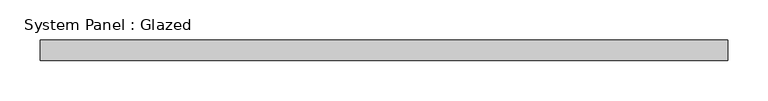
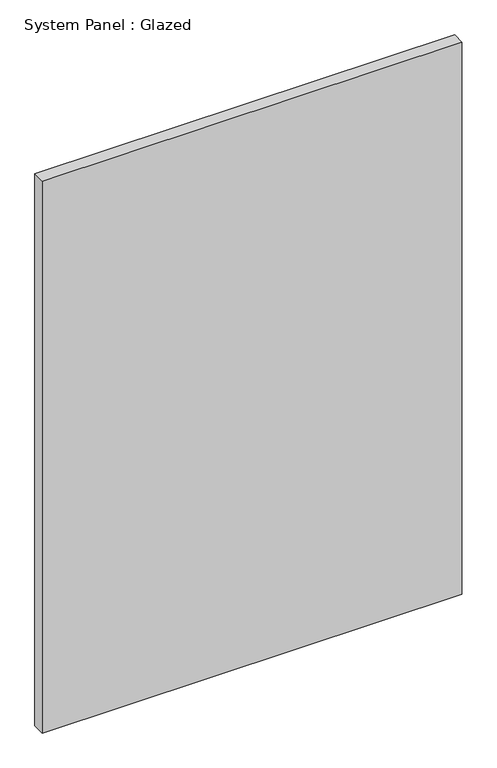
"""IFC4 building model written with IfcOpenShell, lengths in millimetres: plate geometry, System Panel : Glazed."""

import ifcopenshell
import ifcopenshell.guid

model = None  # the IFC model being written
_history = None  # IfcOwnerHistory: only IFC2X3 demands one
_inside = {}  # id of a spatial element -> (the spatial element, [elements in it])
_under = {}  # id of a project, library or spatial element -> (it, [spatial elements below it])
_declared = {}  # id of a project -> (the project, [libraries it declares])
_typed = {}  # id of a type object -> (the type object, [elements of that type])
_made_of = {}  # id of a material, layer set ... -> (it, [elements and type objects made of it])


def new_model(schema):
    """Start an empty IFC model of exactly this schema.

    Asked for "IFC4X3", IfcOpenShell would pick the latest addendum, in which some entities
    have other attributes; the version numbers below select the first issue.
    IFC2X3 requires an IfcOwnerHistory on every rooted entity: one is made here for all.
    """
    global model, _history
    if schema == "IFC4X3":
        model = ifcopenshell.file(schema_version=(4, 3, 0, 0))
    else:
        model = ifcopenshell.file(schema=schema)
    _inside.clear()
    _under.clear()
    _declared.clear()
    _typed.clear()
    _made_of.clear()
    _history = None
    if model.schema == "IFC2X3":
        org = make("IfcOrganization", Name="unknown")
        user = make(
            "IfcPersonAndOrganization",
            ThePerson=make("IfcPerson", FamilyName="unknown"),
            TheOrganization=org,
        )
        app = make(
            "IfcApplication",
            ApplicationDeveloper=org,
            Version="unknown",
            ApplicationFullName="unknown",
            ApplicationIdentifier="unknown",
        )
        _history = make(
            "IfcOwnerHistory",
            OwningUser=user,
            OwningApplication=app,
            ChangeAction="ADDED",
            CreationDate=0,
        )
    return model


def make(cls, **values):
    """One entity of the class cls with the attributes given. An attribute that is None is left unset."""
    return model.create_entity(
        cls, **{name: value for name, value in values.items() if value is not None}
    )


def rooted(cls, **values):
    """An entity with a GlobalId (a new one), such as an element, a storey or a relation."""
    return make(cls, GlobalId=ifcopenshell.guid.new(), OwnerHistory=_history, **values)


def si_unit(unit_type, name, prefix=None):
    """IfcSIUnit, for example si_unit("LENGTHUNIT", "METRE", prefix="MILLI")."""
    return make("IfcSIUnit", UnitType=unit_type, Prefix=prefix, Name=name)


def assignment(units):
    """IfcUnitAssignment: the units of a project."""
    return None if units is None else make("IfcUnitAssignment", Units=units)


def point(xyz):
    """IfcCartesianPoint."""
    return None if xyz is None else make("IfcCartesianPoint", Coordinates=xyz)


def direction(xyz):
    """IfcDirection."""
    return None if xyz is None else make("IfcDirection", DirectionRatios=xyz)


def frame(location, z_axis=None, x_axis=None):
    """IfcAxis2Placement3D, a coordinate frame: its origin and axes. An axis left out is left unset."""
    return make(
        "IfcAxis2Placement3D",
        Location=point(location),
        Axis=direction(z_axis),
        RefDirection=direction(x_axis),
    )


def origin():
    """The frame at (0, 0, 0) with its axes left unset."""
    return frame((0.0, 0.0, 0.0))


def origin_with_axes():
    """The frame at (0, 0, 0) with the z axis (0, 0, 1) and the x axis (1, 0, 0) written out."""
    return frame((0.0, 0.0, 0.0), z_axis=(0.0, 0.0, 1.0), x_axis=(1.0, 0.0, 0.0))


def place(relative_to, where):
    """IfcLocalPlacement: puts the frame where relative to a parent placement (None: the world)."""
    return make(
        "IfcLocalPlacement", PlacementRelTo=relative_to, RelativePlacement=where
    )


def context(
    kind, dimensions, precision=None, world=None, true_north=None, identifier=None
):
    """IfcGeometricRepresentationContext, for example the 3D "Model" context."""
    return make(
        "IfcGeometricRepresentationContext",
        ContextIdentifier=identifier,
        ContextType=kind,
        CoordinateSpaceDimension=dimensions,
        Precision=precision,
        WorldCoordinateSystem=world,
        TrueNorth=true_north,
    )


def project(units=None, contexts=None):
    """IfcProject with its units and contexts."""
    return rooted(
        "IfcProject",
        Name="project",
        RepresentationContexts=contexts,
        UnitsInContext=assignment(units),
    )


def spatial(cls, under=None, at=None, **own):
    """A site, building, storey or space (cls), placed at a placement, below another one or the project."""
    s = rooted(cls, ObjectPlacement=at, **own)
    if under is not None:
        _under.setdefault(under.id(), (under, []))[1].append(s)
    return s


def polyline(points):
    """IfcPolyline through the points."""
    return make("IfcPolyline", Points=[point(p) for p in points])


def outline(outer, holes=None, kind="AREA"):
    """IfcArbitraryClosedProfileDef: a profile drawn as a closed curve; with holes, ...WithVoids."""
    if holes is None:
        return make("IfcArbitraryClosedProfileDef", ProfileType=kind, OuterCurve=outer)
    return make(
        "IfcArbitraryProfileDefWithVoids",
        ProfileType=kind,
        OuterCurve=outer,
        InnerCurves=holes,
    )


def extrude(swept, where, along, depth):
    """IfcExtrudedAreaSolid: the profile swept, set in the frame where, extruded along a direction by depth."""
    return make(
        "IfcExtrudedAreaSolid",
        SweptArea=swept,
        Position=where,
        ExtrudedDirection=direction(along),
        Depth=depth,
    )


def shape(context_of_items, identifier, shape_type, items):
    """IfcShapeRepresentation: the items that make up one representation, for example the "Body"."""
    return make(
        "IfcShapeRepresentation",
        ContextOfItems=context_of_items,
        RepresentationIdentifier=identifier,
        RepresentationType=shape_type,
        Items=items,
    )


def source(mapping_origin, context_of_items, identifier, shape_type, items):
    """IfcRepresentationMap: a shape defined once, which mapped items show again and again."""
    return make(
        "IfcRepresentationMap",
        MappingOrigin=mapping_origin,
        MappedRepresentation=shape(context_of_items, identifier, shape_type, items),
    )


def transform(
    local_origin,
    x_axis=None,
    y_axis=None,
    z_axis=None,
    scale=None,
    scale2=None,
    scale3=None,
    uniform=True,
):
    """IfcCartesianTransformationOperator3D, or its non-uniform kind. x_axis, y_axis, z_axis: its Axis1, 2, 3."""
    if uniform:
        return make(
            "IfcCartesianTransformationOperator3D",
            Axis1=direction(x_axis),
            Axis2=direction(y_axis),
            LocalOrigin=point(local_origin),
            Scale=scale,
            Axis3=direction(z_axis),
        )
    return make(
        "IfcCartesianTransformationOperator3DnonUniform",
        Axis1=direction(x_axis),
        Axis2=direction(y_axis),
        LocalOrigin=point(local_origin),
        Scale=scale,
        Axis3=direction(z_axis),
        Scale2=scale2,
        Scale3=scale3,
    )


def mapped(mapping_source, mapping_target):
    """IfcMappedItem: shows the shape of a source again, moved by a transform."""
    return make(
        "IfcMappedItem", MappingSource=mapping_source, MappingTarget=mapping_target
    )


def made_of(thing, what):
    """Note that an element or type object is made of a material, layer set ...; save() writes the relation."""
    if what is not None:
        _made_of.setdefault(what.id(), (what, []))[1].append(thing)
    return thing


def element(
    cls,
    number,
    at=None,
    inside=None,
    cuts=None,
    type_object=None,
    material=None,
    context=None,
    identifier="Body",
    shape_type=None,
    held_by="IfcProductDefinitionShape",
    body=None,
    shapes=None,
    **own,
):
    """One element of the class cls, such as IfcWall. Its Tag is "e" and its number.

    at: its placement. inside: the storey or other place that contains it. cuts: it is an
    opening in that element (IfcRelVoidsElement). A single representation is given by context,
    identifier, shape_type and body (its items); several are given by shapes. held_by: the class
    of the entity that holds the representations. save() writes the other relations.
    """
    e = rooted(cls, Tag="e%d" % number, ObjectPlacement=at, **own)
    if body is not None:
        shapes = [shape(context, identifier, shape_type, body)]
    if shapes is not None:
        e.Representation = make(held_by, Representations=shapes)
    if inside is not None:
        _inside.setdefault(inside.id(), (inside, []))[1].append(e)
    if cuts is not None:
        rooted(
            "IfcRelVoidsElement", RelatingBuildingElement=cuts, RelatedOpeningElement=e
        )
    if type_object is not None:
        _typed.setdefault(type_object.id(), (type_object, []))[1].append(e)
    return made_of(e, material)


def aggregate(whole, parts):
    """IfcRelAggregates: a whole, such as a stair, and the parts it consists of."""
    return rooted("IfcRelAggregates", RelatingObject=whole, RelatedObjects=parts)


def save(model, path):
    """Write the relations noted so far, then the file.

    IfcRelAggregates (storeys below a building ...), IfcRelContainedInSpatialStructure (elements
    in a storey), IfcRelDefinesByType, IfcRelAssociatesMaterial and IfcRelDeclares: one each for
    every whole, place, type object, material and project.
    """
    for whole, parts in _under.values():
        aggregate(whole, parts)
    for where, things in _inside.values():
        rooted(
            "IfcRelContainedInSpatialStructure",
            RelatedElements=things,
            RelatingStructure=where,
        )
    for kind, things in _typed.values():
        rooted("IfcRelDefinesByType", RelatedObjects=things, RelatingType=kind)
    for what, things in _made_of.values():
        rooted("IfcRelAssociatesMaterial", RelatedObjects=things, RelatingMaterial=what)
    for by, libraries in _declared.values():
        rooted("IfcRelDeclares", RelatingContext=by, RelatedDefinitions=libraries)
    model.write(path)


def system_panel_glazed_aec35122(model_context):
    return source(origin(), model_context, "Body", "SweptSolid", [
        extrude(outline(polyline([(425.45, 0.0), (-425.45, 0.0), (-425.45, 25.4), (425.45, 25.4), (425.45, 0.0)])), origin_with_axes(), (0.0, 0.0, 1.0), 1182.6875),
    ])


if __name__ == "__main__":
    model = new_model("IFC4")
    model_context = context("Model", 3, world=origin())
    ifc_project = project(units=[si_unit("LENGTHUNIT", "METRE", prefix="MILLI")], contexts=[model_context])
    site = spatial("IfcSite", under=ifc_project)
    building = spatial("IfcBuilding", under=site)
    placement = place(None, origin())
    system_panel_glazed_shape = system_panel_glazed_aec35122(model_context)
    element("IfcPlate", 1, ObjectType="System Panel : Glazed", at=placement, inside=building, context=model_context, shape_type="MappedRepresentation", body=[
        mapped(system_panel_glazed_shape, transform((0.0, 0.0, 0.0), x_axis=(1.0, 0.0, 0.0), y_axis=(0.0, 1.0, 0.0), z_axis=(0.0, 0.0, 1.0))),
    ])
    save(model, "model.ifc")
